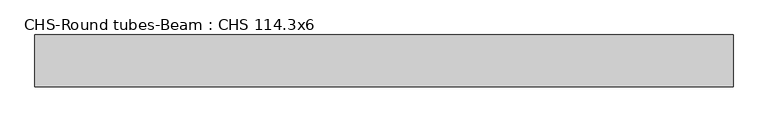
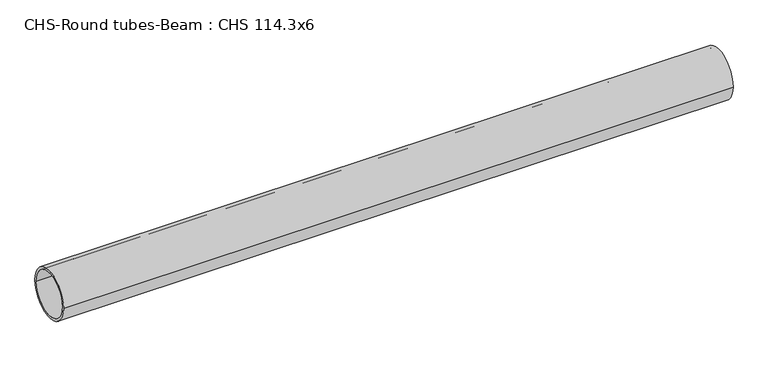
"""IFC4 building model written with IfcOpenShell, lengths in millimetres: beam geometry, CHS-Round tubes-Beam : CHS 114.3x6."""

from ifc_helpers import new_model, si_unit, point, frame, origin, origin_2d, place, context, project, spatial, circle_curve, trimmed, segment, composite_curve, outline, extrude, source, transform, mapped, element, save


def chs_round_tubes_beam_chs_114_3x6_f871e4ae(model_context):
    return source(origin(), model_context, "Body", "SweptSolid", [
        extrude(outline(composite_curve([segment(trimmed(circle_curve(origin_2d(), 57.15), [point((57.15, 0.0))], [point((-57.15, 0.0))], False, "CARTESIAN"), True, "CONTINUOUS"), segment(trimmed(circle_curve(origin_2d(), 57.15), [point((-57.15, 0.0))], [point((57.15, 0.0))], False, "CARTESIAN"), True, "CONTINUOUS")], self_intersect=False), holes=[composite_curve([segment(trimmed(circle_curve(origin_2d(), 51.15), [point((51.15, 0.0))], [point((-51.15, 0.0))], True, "CARTESIAN"), True, "CONTINUOUS"), segment(trimmed(circle_curve(origin_2d(), 51.15), [point((-51.15, 0.0))], [point((51.15, 0.0))], True, "CARTESIAN"), True, "CONTINUOUS")], self_intersect=False)]), frame((-759.3942755, 0.0, 0.0), z_axis=(1.0, 0.0, 0.0), x_axis=(0.0, 1.0, 0.0)), (0.0, 0.0, 1.0), 1535.4719553),
    ])


if __name__ == "__main__":
    model = new_model("IFC4")
    model_context = context("Model", 3, world=origin())
    ifc_project = project(units=[si_unit("LENGTHUNIT", "METRE", prefix="MILLI")], contexts=[model_context])
    site = spatial("IfcSite", under=ifc_project)
    building = spatial("IfcBuilding", under=site)
    placement = place(None, origin())
    chs_round_tubes_beam_chs_114_3x6_shape = chs_round_tubes_beam_chs_114_3x6_f871e4ae(model_context)
    element("IfcBeam", 1, ObjectType="CHS-Round tubes-Beam : CHS 114.3x6", at=placement, inside=building, context=model_context, shape_type="MappedRepresentation", body=[
        mapped(chs_round_tubes_beam_chs_114_3x6_shape, transform((0.0, 0.0, 0.0), x_axis=(1.0, 0.0, 0.0), y_axis=(0.0, 1.0, 0.0), z_axis=(0.0, 0.0, 1.0))),
    ])
    save(model, "model.ifc")
